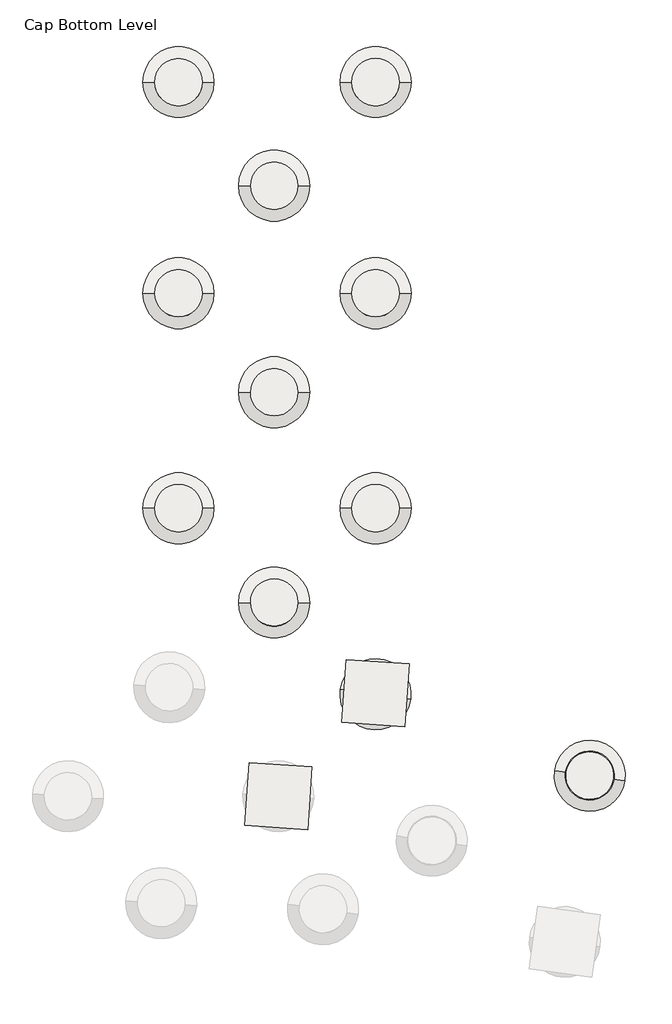
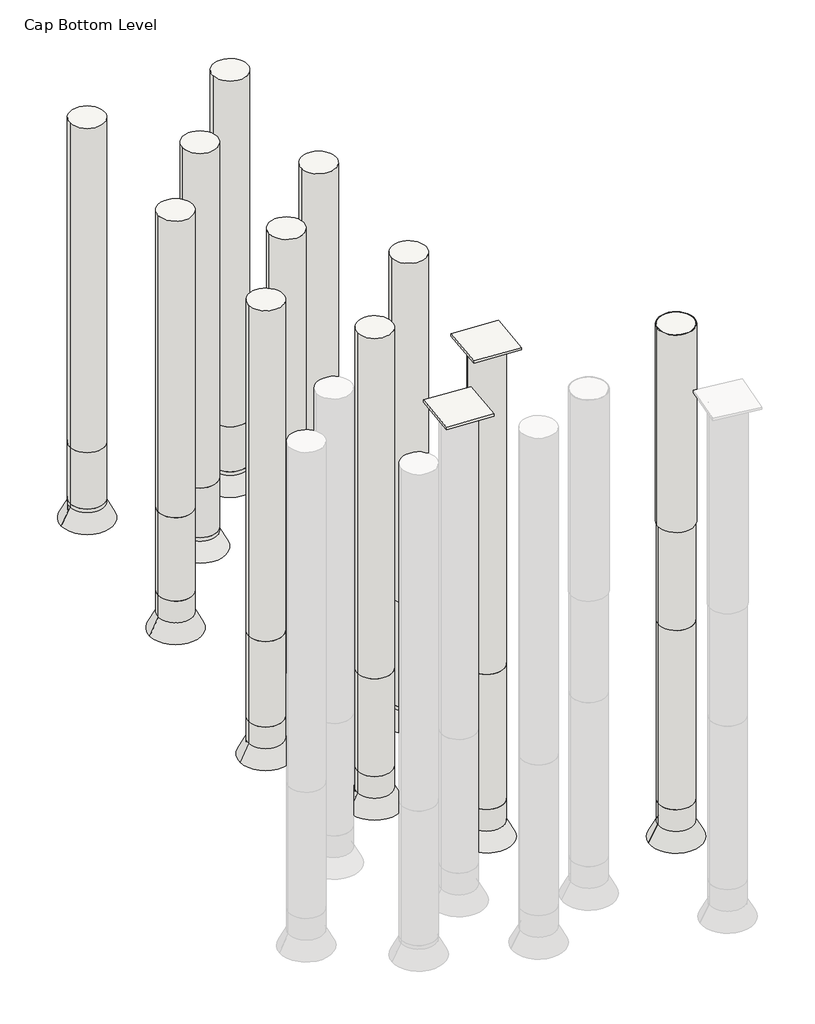
# One storey, part 2 of 2: 13 slabs.
"""IFC4 building model written with IfcOpenShell, lengths in millimetres."""

from ifc_helpers import new_model, si_unit, point, frame, frame_2d, origin, place, context, project, spatial, polyline, circle_curve, trimmed, segment, composite_curve, outline, extrude, element, save
from ifc_brep_helpers import plane_surface, revolved_surface, advanced_brep

model = new_model("IFC4")

# Units and contexts
model_context = context("Model", 3, world=origin())
ifc_project = project(units=[si_unit("LENGTHUNIT", "METRE", prefix="MILLI")], contexts=[model_context])

# Site, building, storey
site = spatial("IfcSite", under=ifc_project)
building = spatial("IfcBuilding", under=site)
storey = spatial("IfcBuildingStorey", under=building, Name="Cap Bottom Level", Elevation=150.0)

# Slabs
placement = place(None, origin())
element("IfcSlab", 1, at=placement, inside=storey, context=model_context, shape_type="SolidModel", body=[
    extrude(outline(composite_curve([segment(trimmed(circle_curve(frame_2d((-49045.9213293, 71357.1233994)), 1350.0), [point((-50382.7832331, 71545.0070079))], [point((-47709.0594256, 71169.239791))], False, "CARTESIAN"), True, "CONTINUOUS"), segment(trimmed(circle_curve(frame_2d((-49045.9213293, 71357.1233994)), 1350.0), [point((-47709.0594256, 71169.239791))], [point((-50382.7832331, 71545.0070079))], False, "CARTESIAN"), True, "CONTINUOUS")], self_intersect=False)), frame((0.0, 0.0, -27957.0), z_axis=(0.0, 0.0, 1.0), x_axis=(1.0, 0.0, 0.0)), (0.0, 0.0, 1.0), 26557.0),
    extrude(outline(composite_curve([segment(trimmed(circle_curve(frame_2d((-49045.9213293, 71357.1233994)), 1350.0), [point((-50382.7832331, 71545.0070079))], [point((-47709.0594256, 71169.239791))], False, "CARTESIAN"), True, "CONTINUOUS"), segment(trimmed(circle_curve(frame_2d((-49045.9213293, 71357.1233994)), 1350.0), [point((-47709.0594256, 71169.239791))], [point((-50382.7832331, 71545.0070079))], False, "CARTESIAN"), True, "CONTINUOUS")], self_intersect=False)), frame((0.0, 0.0, -39177.0), z_axis=(0.0, 0.0, 1.0), x_axis=(1.0, 0.0, 0.0)), (0.0, 0.0, 1.0), 11220.0),
    extrude(outline(composite_curve([segment(trimmed(circle_curve(frame_2d((-49045.9213293, 71357.1233994)), 1350.0), [point((-50382.7832331, 71545.0070079))], [point((-47709.0594256, 71169.239791))], False, "CARTESIAN"), True, "CONTINUOUS"), segment(trimmed(circle_curve(frame_2d((-49045.9213293, 71357.1233994)), 1350.0), [point((-47709.0594256, 71169.239791))], [point((-50382.7832331, 71545.0070079))], False, "CARTESIAN"), True, "CONTINUOUS")], self_intersect=False)), frame((0.0, 0.0, -42327.0), z_axis=(0.0, 0.0, 1.0), x_axis=(1.0, 0.0, 0.0)), (0.0, 0.0, 1.0), 3150.0),
    advanced_brep(
    [(-50382.7832331, 71545.0070079, -40977.0), (-47709.0594256, 71169.239791, -40977.0), (-47040.6284737, 71075.2979868, -42327.0), (-51051.214185, 71638.9488121, -42327.0), (-50382.7832331, 71545.0070079, -42327.0), (-47709.0594256, 71169.239791, -42327.0)],
    [
        (0, 1, circle_curve(frame((-49045.9213293, 71357.1233994, -40977.0), z_axis=(0.0, 0.0, -1.0), x_axis=(0.9902680768491257, -0.13917304327180138, 0.0)), 1350.0)),
        (1, 2),
        (2, 3, circle_curve(frame((-49045.9213293, 71357.1233994, -42327.0), z_axis=(0.0, 0.0, 1.0), x_axis=(0.9902680768491257, -0.13917304327180138, 0.0)), 2025.0)),
        (3, 0),
        (1, 0, circle_curve(frame((-49045.9213293, 71357.1233994, -40977.0), z_axis=(0.0, 0.0, -1.0), x_axis=(0.9902680768491257, -0.13917304327180138, 0.0)), 1350.0)),
        (3, 2, circle_curve(frame((-49045.9213293, 71357.1233994, -42327.0), z_axis=(0.0, 0.0, 1.0), x_axis=(0.9902680768491257, -0.13917304327180138, 0.0)), 2025.0)),
        (4, 5, circle_curve(frame((-49045.9213293, 71357.1233994, -42327.0), z_axis=(0.0, 0.0, -1.0), x_axis=(0.9902680768491257, -0.13917304327180138, 0.0)), 1350.0)),
        (5, 1),
        (0, 4),
        (5, 4, circle_curve(frame((-49045.9213293, 71357.1233994, -42327.0), z_axis=(0.0, 0.0, -1.0), x_axis=(0.9902680768491257, -0.13917304327180138, 0.0)), 1350.0)),
        (2, 5),
        (4, 3),
    ],
    [
        revolved_surface(polyline([(-47040.6284737, 71075.2979868, -42327.0), (-47709.0594256, 71169.239791, -40977.0)]), (-49045.9213293, 71357.1233994, -39127.0), (0.0, 0.0, 1.0)),
        revolved_surface(polyline([(-47709.05942555368, 71169.23979098308, -40977.0), (-47709.05942555368, 71169.23979098308, -42327.0)]), (-49045.9213293, 71357.1233994, -39127.0), (0.0, 0.0, 1.0)),
        plane_surface(frame((-49045.9213293, 71357.1233994, -42327.0), z_axis=(0.0, 0.0, -1.0), x_axis=(0.9902680768491254, -0.13917304327180136, 0.0))),
    ],
    [
        (0, [[1, 2, 3, 4]]),
        (0, [[5, -4, 6, -2]]),
        (1, [[7, 8, -1, 9]]),
        (1, [[10, -9, -5, -8]]),
        (2, [[-3, 11, -7, 12]]),
        (2, [[-6, -12, -10, -11]]),
    ],
),
])
element("IfcSlab", 2, at=placement, inside=storey, context=model_context, shape_type="SolidModel", body=[
    extrude(outline(composite_curve([segment(trimmed(circle_curve(frame_2d((-54827.6663118, 76595.2799237)), 1350.0), [point((-56177.6663118, 76595.2799235))], [point((-53477.6663118, 76595.2799238))], False, "CARTESIAN"), True, "CONTINUOUS"), segment(trimmed(circle_curve(frame_2d((-54827.6663118, 76595.2799237)), 1350.0), [point((-53477.6663118, 76595.2799238))], [point((-56177.6663118, 76595.2799235))], False, "CARTESIAN"), True, "CONTINUOUS")], self_intersect=False)), frame((0.0, 0.0, -29483.0), z_axis=(0.0, 0.0, 1.0), x_axis=(1.0, 0.0, 0.0)), (0.0, 0.0, 1.0), 28283.0),
    extrude(outline(composite_curve([segment(trimmed(circle_curve(frame_2d((-54827.6663118, 76595.2799237)), 1350.0), [point((-56177.6663118, 76595.2799235))], [point((-53477.6663118, 76595.2799238))], False, "CARTESIAN"), True, "CONTINUOUS"), segment(trimmed(circle_curve(frame_2d((-54827.6663118, 76595.2799237)), 1350.0), [point((-53477.6663118, 76595.2799238))], [point((-56177.6663118, 76595.2799235))], False, "CARTESIAN"), True, "CONTINUOUS")], self_intersect=False)), frame((0.0, 0.0, -37603.0), z_axis=(0.0, 0.0, 1.0), x_axis=(1.0, 0.0, 0.0)), (0.0, 0.0, 1.0), 8120.0),
    extrude(outline(composite_curve([segment(trimmed(circle_curve(frame_2d((-54827.6663118, 76595.2799237)), 1350.0), [point((-56177.6663118, 76595.2799235))], [point((-53477.6663118, 76595.2799238))], False, "CARTESIAN"), True, "CONTINUOUS"), segment(trimmed(circle_curve(frame_2d((-54827.6663118, 76595.2799237)), 1350.0), [point((-53477.6663118, 76595.2799238))], [point((-56177.6663118, 76595.2799235))], False, "CARTESIAN"), True, "CONTINUOUS")], self_intersect=False)), frame((0.0, 0.0, -40753.0), z_axis=(0.0, 0.0, 1.0), x_axis=(1.0, 0.0, 0.0)), (0.0, 0.0, 1.0), 3150.0),
    advanced_brep(
    [(-56177.6663118, 76595.2799235, -39403.0), (-53477.6663118, 76595.2799238, -39403.0), (-52802.6663118, 76595.2799238, -40753.0), (-56852.6663118, 76595.2799235, -40753.0), (-56177.6663118, 76595.2799235, -40753.0), (-53477.6663118, 76595.2799238, -40753.0)],
    [
        (0, 1, circle_curve(frame((-54827.6663118, 76595.2799237, -39403.0), z_axis=(0.0, 0.0, -1.0), x_axis=(1.0000000000000002, 8.037442933428451e-11, 0.0)), 1350.0)),
        (1, 2),
        (2, 3, circle_curve(frame((-54827.6663118, 76595.2799237, -40753.0), z_axis=(0.0, 0.0, 1.0), x_axis=(1.0000000000000002, 8.037442933428451e-11, 0.0)), 2025.0)),
        (3, 0),
        (1, 0, circle_curve(frame((-54827.6663118, 76595.2799237, -39403.0), z_axis=(0.0, 0.0, -1.0), x_axis=(1.0000000000000002, 8.037442933428451e-11, 0.0)), 1350.0)),
        (3, 2, circle_curve(frame((-54827.6663118, 76595.2799237, -40753.0), z_axis=(0.0, 0.0, 1.0), x_axis=(1.0000000000000002, 8.037442933428451e-11, 0.0)), 2025.0)),
        (4, 5, circle_curve(frame((-54827.6663118, 76595.2799237, -40753.0), z_axis=(0.0, 0.0, -1.0), x_axis=(1.0000000000000002, 8.037442933428451e-11, 0.0)), 1350.0)),
        (5, 1),
        (0, 4),
        (5, 4, circle_curve(frame((-54827.6663118, 76595.2799237, -40753.0), z_axis=(0.0, 0.0, -1.0), x_axis=(1.0000000000000002, 8.037442933428451e-11, 0.0)), 1350.0)),
        (2, 5),
        (4, 3),
    ],
    [
        revolved_surface(polyline([(-52802.6663118, 76595.2799238, -40753.0), (-53477.6663118, 76595.2799238, -39403.0)]), (-54827.6663118, 76595.2799237, -37553.0), (0.0, 0.0, 1.0)),
        revolved_surface(polyline([(-53477.6663118, 76595.2799238085, -39403.0), (-53477.6663118, 76595.2799238085, -40753.0)]), (-54827.6663118, 76595.2799237, -37553.0), (0.0, 0.0, 1.0)),
        plane_surface(frame((-54827.6663118, 76595.2799237, -40753.0), z_axis=(0.0, 0.0, -1.0), x_axis=(1.0, 8.03744293342845e-11, 0.0))),
    ],
    [
        (0, [[1, 2, 3, 4]]),
        (0, [[5, -4, 6, -2]]),
        (1, [[7, 8, -1, 9]]),
        (1, [[10, -9, -5, -8]]),
        (2, [[-3, 11, -7, 12]]),
        (2, [[-6, -12, -10, -11]]),
    ],
),
])
element("IfcSlab", 3, at=placement, inside=storey, context=model_context, shape_type="SolidModel", body=[
    extrude(outline(composite_curve([segment(trimmed(circle_curve(frame_2d((-60287.6663107, 81975.2799284)), 1350.0), [point((-61637.6663107, 81975.2799283))], [point((-58937.6663107, 81975.2799285))], False, "CARTESIAN"), True, "CONTINUOUS"), segment(trimmed(circle_curve(frame_2d((-60287.6663107, 81975.2799284)), 1350.0), [point((-58937.6663107, 81975.2799285))], [point((-61637.6663107, 81975.2799283))], False, "CARTESIAN"), True, "CONTINUOUS")], self_intersect=False)), frame((0.0, 0.0, -27723.0), z_axis=(0.0, 0.0, 1.0), x_axis=(1.0, 0.0, 0.0)), (0.0, 0.0, 1.0), 27473.0),
    extrude(outline(composite_curve([segment(trimmed(circle_curve(frame_2d((-60287.6663107, 81975.2799284)), 1350.0), [point((-61637.6663107, 81975.2799283))], [point((-58937.6663107, 81975.2799285))], False, "CARTESIAN"), True, "CONTINUOUS"), segment(trimmed(circle_curve(frame_2d((-60287.6663107, 81975.2799284)), 1350.0), [point((-58937.6663107, 81975.2799285))], [point((-61637.6663107, 81975.2799283))], False, "CARTESIAN"), True, "CONTINUOUS")], self_intersect=False)), frame((0.0, 0.0, -34833.0), z_axis=(0.0, 0.0, 1.0), x_axis=(1.0, 0.0, 0.0)), (0.0, 0.0, 1.0), 7110.0),
    extrude(outline(composite_curve([segment(trimmed(circle_curve(frame_2d((-60287.6663107, 81975.2799284)), 1350.0), [point((-61637.6663107, 81975.2799283))], [point((-58937.6663107, 81975.2799285))], False, "CARTESIAN"), True, "CONTINUOUS"), segment(trimmed(circle_curve(frame_2d((-60287.6663107, 81975.2799284)), 1350.0), [point((-58937.6663107, 81975.2799285))], [point((-61637.6663107, 81975.2799283))], False, "CARTESIAN"), True, "CONTINUOUS")], self_intersect=False)), frame((0.0, 0.0, -37983.0), z_axis=(0.0, 0.0, 1.0), x_axis=(1.0, 0.0, 0.0)), (0.0, 0.0, 1.0), 3150.0),
    advanced_brep(
    [(-61637.6663107, 81975.2799283, -36633.0), (-58937.6663107, 81975.2799285, -36633.0), (-58262.6663107, 81975.2799285, -37983.0), (-62312.6663107, 81975.2799282, -37983.0), (-61637.6663107, 81975.2799283, -37983.0), (-58937.6663107, 81975.2799285, -37983.0)],
    [
        (0, 1, circle_curve(frame((-60287.6663107, 81975.2799284, -36633.0), z_axis=(0.0, 0.0, -1.0), x_axis=(1.0, 8.037839838159755e-11, 0.0)), 1350.0)),
        (1, 2),
        (2, 3, circle_curve(frame((-60287.6663107, 81975.2799284, -37983.0), z_axis=(0.0, 0.0, 1.0), x_axis=(1.0, 8.037839838159755e-11, 0.0)), 2025.0)),
        (3, 0),
        (1, 0, circle_curve(frame((-60287.6663107, 81975.2799284, -36633.0), z_axis=(0.0, 0.0, -1.0), x_axis=(1.0, 8.037839838159755e-11, 0.0)), 1350.0)),
        (3, 2, circle_curve(frame((-60287.6663107, 81975.2799284, -37983.0), z_axis=(0.0, 0.0, 1.0), x_axis=(1.0, 8.037839838159755e-11, 0.0)), 2025.0)),
        (4, 5, circle_curve(frame((-60287.6663107, 81975.2799284, -37983.0), z_axis=(0.0, 0.0, -1.0), x_axis=(1.0, 8.037839838159755e-11, 0.0)), 1350.0)),
        (5, 1),
        (0, 4),
        (5, 4, circle_curve(frame((-60287.6663107, 81975.2799284, -37983.0), z_axis=(0.0, 0.0, -1.0), x_axis=(1.0, 8.037839838159755e-11, 0.0)), 1350.0)),
        (2, 5),
        (4, 3),
    ],
    [
        revolved_surface(polyline([(-58262.6663107, 81975.2799285, -37983.0), (-58937.6663107, 81975.2799285, -36633.0)]), (-60287.6663107, 81975.2799284, -34783.0), (0.0, 0.0, 1.0)),
        revolved_surface(polyline([(-58937.6663107, 81975.27992850852, -36633.0), (-58937.6663107, 81975.27992850852, -37983.0)]), (-60287.6663107, 81975.2799284, -34783.0), (0.0, 0.0, 1.0)),
        plane_surface(frame((-60287.6663107, 81975.2799284, -37983.0), z_axis=(0.0, 0.0, -1.0), x_axis=(1.0, 8.037839838159755e-11, 0.0))),
    ],
    [
        (0, [[1, 2, 3, 4]]),
        (0, [[5, -4, 6, -2]]),
        (1, [[7, 8, -1, 9]]),
        (1, [[10, -9, -5, -8]]),
        (2, [[-3, 11, -7, 12]]),
        (2, [[-6, -12, -10, -11]]),
    ],
),
])
element("IfcSlab", 4, at=placement, inside=storey, context=model_context, shape_type="SolidModel", body=[
    extrude(outline(composite_curve([segment(trimmed(circle_curve(frame_2d((-49042.6663121, 81975.2799246)), 1350.0), [point((-50392.6663121, 81975.2799245))], [point((-47692.6663121, 81975.2799247))], False, "CARTESIAN"), True, "CONTINUOUS"), segment(trimmed(circle_curve(frame_2d((-49042.6663121, 81975.2799246)), 1350.0), [point((-47692.6663121, 81975.2799247))], [point((-50392.6663121, 81975.2799245))], False, "CARTESIAN"), True, "CONTINUOUS")], self_intersect=False)), frame((0.0, 0.0, -28513.0), z_axis=(0.0, 0.0, 1.0), x_axis=(1.0, 0.0, 0.0)), (0.0, 0.0, 1.0), 28263.0),
    extrude(outline(composite_curve([segment(trimmed(circle_curve(frame_2d((-49042.6663121, 81975.2799246)), 1350.0), [point((-50392.6663121, 81975.2799245))], [point((-47692.6663121, 81975.2799247))], False, "CARTESIAN"), True, "CONTINUOUS"), segment(trimmed(circle_curve(frame_2d((-49042.6663121, 81975.2799246)), 1350.0), [point((-47692.6663121, 81975.2799247))], [point((-50392.6663121, 81975.2799245))], False, "CARTESIAN"), True, "CONTINUOUS")], self_intersect=False)), frame((0.0, 0.0, -37213.0), z_axis=(0.0, 0.0, 1.0), x_axis=(1.0, 0.0, 0.0)), (0.0, 0.0, 1.0), 8700.0),
    extrude(outline(composite_curve([segment(trimmed(circle_curve(frame_2d((-49042.6663121, 81975.2799246)), 1350.0), [point((-50392.6663121, 81975.2799245))], [point((-47692.6663121, 81975.2799247))], False, "CARTESIAN"), True, "CONTINUOUS"), segment(trimmed(circle_curve(frame_2d((-49042.6663121, 81975.2799246)), 1350.0), [point((-47692.6663121, 81975.2799247))], [point((-50392.6663121, 81975.2799245))], False, "CARTESIAN"), True, "CONTINUOUS")], self_intersect=False)), frame((0.0, 0.0, -38863.0), z_axis=(0.0, 0.0, 1.0), x_axis=(1.0, 0.0, 0.0)), (0.0, 0.0, 1.0), 1650.0),
    advanced_brep(
    [(-50392.6663121, 81975.2799245, -37513.0), (-47692.6663121, 81975.2799247, -37513.0), (-47017.6663121, 81975.2799248, -38863.0), (-51067.6663121, 81975.2799244, -38863.0), (-50392.6663121, 81975.2799245, -38863.0), (-47692.6663121, 81975.2799247, -38863.0)],
    [
        (0, 1, circle_curve(frame((-49042.6663121, 81975.2799246, -37513.0), z_axis=(0.0, 0.0, -1.0), x_axis=(1.0, 8.037839838159755e-11, 0.0)), 1350.0)),
        (1, 2),
        (2, 3, circle_curve(frame((-49042.6663121, 81975.2799246, -38863.0), z_axis=(0.0, 0.0, 1.0), x_axis=(1.0, 8.037839838159755e-11, 0.0)), 2025.0)),
        (3, 0),
        (1, 0, circle_curve(frame((-49042.6663121, 81975.2799246, -37513.0), z_axis=(0.0, 0.0, -1.0), x_axis=(1.0, 8.037839838159755e-11, 0.0)), 1350.0)),
        (3, 2, circle_curve(frame((-49042.6663121, 81975.2799246, -38863.0), z_axis=(0.0, 0.0, 1.0), x_axis=(1.0, 8.037839838159755e-11, 0.0)), 2025.0)),
        (4, 5, circle_curve(frame((-49042.6663121, 81975.2799246, -38863.0), z_axis=(0.0, 0.0, -1.0), x_axis=(1.0, 8.037839838159755e-11, 0.0)), 1350.0)),
        (5, 1),
        (0, 4),
        (5, 4, circle_curve(frame((-49042.6663121, 81975.2799246, -38863.0), z_axis=(0.0, 0.0, -1.0), x_axis=(1.0, 8.037839838159755e-11, 0.0)), 1350.0)),
        (2, 5),
        (4, 3),
    ],
    [
        revolved_surface(polyline([(-47017.6663121, 81975.2799248, -38863.0), (-47692.6663121, 81975.2799247, -37513.0)]), (-49042.6663121, 81975.2799246, -37163.0), (0.0, 0.0, 1.0)),
        revolved_surface(polyline([(-47692.6663121, 81975.27992470852, -37513.0), (-47692.6663121, 81975.27992470852, -38863.0)]), (-49042.6663121, 81975.2799246, -37163.0), (0.0, 0.0, 1.0)),
        plane_surface(frame((-49042.6663121, 81975.2799246, -38863.0), z_axis=(0.0, 0.0, -1.0), x_axis=(1.0, 8.037839838159755e-11, 0.0))),
    ],
    [
        (0, [[1, 2, 3, 4]]),
        (0, [[5, -4, 6, -2]]),
        (1, [[7, 8, -1, 9]]),
        (1, [[10, -9, -5, -8]]),
        (2, [[-3, 11, -7, 12]]),
        (2, [[-6, -12, -10, -11]]),
    ],
),
])
element("IfcSlab", 5, at=placement, inside=storey, context=model_context, shape_type="SolidModel", body=[
    extrude(outline(composite_curve([segment(trimmed(circle_curve(frame_2d((-60287.6663139, 94245.2799229)), 1350.0), [point((-61637.6663139, 94245.2799228))], [point((-58937.6663139, 94245.2799231))], False, "CARTESIAN"), True, "CONTINUOUS"), segment(trimmed(circle_curve(frame_2d((-60287.6663139, 94245.2799229)), 1350.0), [point((-58937.6663139, 94245.2799231))], [point((-61637.6663139, 94245.2799228))], False, "CARTESIAN"), True, "CONTINUOUS")], self_intersect=False)), frame((0.0, 0.0, -24878.0), z_axis=(0.0, 0.0, 1.0), x_axis=(1.0, 0.0, 0.0)), (0.0, 0.0, 1.0), 24628.0),
    extrude(outline(composite_curve([segment(trimmed(circle_curve(frame_2d((-60287.6663139, 94245.2799229)), 1350.0), [point((-61637.6663139, 94245.2799228))], [point((-58937.6663139, 94245.2799231))], False, "CARTESIAN"), True, "CONTINUOUS"), segment(trimmed(circle_curve(frame_2d((-60287.6663139, 94245.2799229)), 1350.0), [point((-58937.6663139, 94245.2799231))], [point((-61637.6663139, 94245.2799228))], False, "CARTESIAN"), True, "CONTINUOUS")], self_intersect=False)), frame((0.0, 0.0, -31808.0), z_axis=(0.0, 0.0, 1.0), x_axis=(1.0, 0.0, 0.0)), (0.0, 0.0, 1.0), 6930.0),
    extrude(outline(composite_curve([segment(trimmed(circle_curve(frame_2d((-60287.6663139, 94245.2799229)), 1350.0), [point((-61637.6663139, 94245.2799228))], [point((-58937.6663139, 94245.2799231))], False, "CARTESIAN"), True, "CONTINUOUS"), segment(trimmed(circle_curve(frame_2d((-60287.6663139, 94245.2799229)), 1350.0), [point((-58937.6663139, 94245.2799231))], [point((-61637.6663139, 94245.2799228))], False, "CARTESIAN"), True, "CONTINUOUS")], self_intersect=False)), frame((0.0, 0.0, -34958.0), z_axis=(0.0, 0.0, 1.0), x_axis=(1.0, 0.0, 0.0)), (0.0, 0.0, 1.0), 3150.0),
    advanced_brep(
    [(-61637.6663139, 94245.2799228, -33608.0), (-58937.6663139, 94245.2799231, -33608.0), (-58262.6663139, 94245.2799231, -34958.0), (-62312.6663139, 94245.2799228, -34958.0), (-61637.6663139, 94245.2799228, -34958.0), (-58937.6663139, 94245.2799231, -34958.0)],
    [
        (0, 1, circle_curve(frame((-60287.6663139, 94245.2799229, -33608.0), z_axis=(0.0, 0.0, -1.0), x_axis=(1.0000000000000002, 8.037442933428451e-11, 0.0)), 1350.0)),
        (1, 2),
        (2, 3, circle_curve(frame((-60287.6663139, 94245.2799229, -34958.0), z_axis=(0.0, 0.0, 1.0), x_axis=(1.0000000000000002, 8.037442933428451e-11, 0.0)), 2025.0)),
        (3, 0),
        (1, 0, circle_curve(frame((-60287.6663139, 94245.2799229, -33608.0), z_axis=(0.0, 0.0, -1.0), x_axis=(1.0000000000000002, 8.037442933428451e-11, 0.0)), 1350.0)),
        (3, 2, circle_curve(frame((-60287.6663139, 94245.2799229, -34958.0), z_axis=(0.0, 0.0, 1.0), x_axis=(1.0000000000000002, 8.037442933428451e-11, 0.0)), 2025.0)),
        (4, 5, circle_curve(frame((-60287.6663139, 94245.2799229, -34958.0), z_axis=(0.0, 0.0, -1.0), x_axis=(1.0000000000000002, 8.037442933428451e-11, 0.0)), 1350.0)),
        (5, 1),
        (0, 4),
        (5, 4, circle_curve(frame((-60287.6663139, 94245.2799229, -34958.0), z_axis=(0.0, 0.0, -1.0), x_axis=(1.0000000000000002, 8.037442933428451e-11, 0.0)), 1350.0)),
        (2, 5),
        (4, 3),
    ],
    [
        revolved_surface(polyline([(-58262.6663139, 94245.2799231, -34958.0), (-58937.6663139, 94245.2799231, -33608.0)]), (-60287.6663139, 94245.2799229, -31758.0), (0.0, 0.0, 1.0)),
        revolved_surface(polyline([(-58937.6663139, 94245.2799230085, -33608.0), (-58937.6663139, 94245.2799230085, -34958.0)]), (-60287.6663139, 94245.2799229, -31758.0), (0.0, 0.0, 1.0)),
        plane_surface(frame((-60287.6663139, 94245.2799229, -34958.0), z_axis=(0.0, 0.0, -1.0), x_axis=(1.0, 8.03744293342845e-11, 0.0))),
    ],
    [
        (0, [[1, 2, 3, 4]]),
        (0, [[5, -4, 6, -2]]),
        (1, [[7, 8, -1, 9]]),
        (1, [[10, -9, -5, -8]]),
        (2, [[-3, 11, -7, 12]]),
        (2, [[-6, -12, -10, -11]]),
    ],
),
])
element("IfcSlab", 6, at=placement, inside=storey, context=model_context, shape_type="SolidModel", body=[
    extrude(outline(composite_curve([segment(trimmed(circle_curve(frame_2d((-49042.6663124, 94245.2799243)), 1350.0), [point((-50392.6663124, 94245.2799242))], [point((-47692.6663124, 94245.2799245))], False, "CARTESIAN"), True, "CONTINUOUS"), segment(trimmed(circle_curve(frame_2d((-49042.6663124, 94245.2799243)), 1350.0), [point((-47692.6663124, 94245.2799245))], [point((-50392.6663124, 94245.2799242))], False, "CARTESIAN"), True, "CONTINUOUS")], self_intersect=False)), frame((0.0, 0.0, -29391.0), z_axis=(0.0, 0.0, 1.0), x_axis=(1.0, 0.0, 0.0)), (0.0, 0.0, 1.0), 29141.0),
    extrude(outline(composite_curve([segment(trimmed(circle_curve(frame_2d((-49042.6663124, 94245.2799243)), 1350.0), [point((-50392.6663124, 94245.2799242))], [point((-47692.6663124, 94245.2799245))], False, "CARTESIAN"), True, "CONTINUOUS"), segment(trimmed(circle_curve(frame_2d((-49042.6663124, 94245.2799243)), 1350.0), [point((-47692.6663124, 94245.2799245))], [point((-50392.6663124, 94245.2799242))], False, "CARTESIAN"), True, "CONTINUOUS")], self_intersect=False)), frame((0.0, 0.0, -33881.0), z_axis=(0.0, 0.0, 1.0), x_axis=(1.0, 0.0, 0.0)), (0.0, 0.0, 1.0), 4490.0),
    extrude(outline(composite_curve([segment(trimmed(circle_curve(frame_2d((-49042.6663124, 94245.2799243)), 1350.0), [point((-50392.6663124, 94245.2799242))], [point((-47692.6663124, 94245.2799245))], False, "CARTESIAN"), True, "CONTINUOUS"), segment(trimmed(circle_curve(frame_2d((-49042.6663124, 94245.2799243)), 1350.0), [point((-47692.6663124, 94245.2799245))], [point((-50392.6663124, 94245.2799242))], False, "CARTESIAN"), True, "CONTINUOUS")], self_intersect=False)), frame((0.0, 0.0, -35531.0), z_axis=(0.0, 0.0, 1.0), x_axis=(1.0, 0.0, 0.0)), (0.0, 0.0, 1.0), 1650.0),
    advanced_brep(
    [(-50392.6663124, 94245.2799242, -34181.0), (-47692.6663124, 94245.2799245, -34181.0), (-47017.6663124, 94245.2799245, -35531.0), (-51067.6663124, 94245.2799242, -35531.0), (-50392.6663124, 94245.2799242, -35531.0), (-47692.6663124, 94245.2799245, -35531.0)],
    [
        (0, 1, circle_curve(frame((-49042.6663124, 94245.2799243, -34181.0), z_axis=(0.0, 0.0, -1.0), x_axis=(1.0000000000000002, 8.03738603449844e-11, 0.0)), 1350.0)),
        (1, 2),
        (2, 3, circle_curve(frame((-49042.6663124, 94245.2799243, -35531.0), z_axis=(0.0, 0.0, 1.0), x_axis=(1.0000000000000002, 8.03738603449844e-11, 0.0)), 2025.0)),
        (3, 0),
        (1, 0, circle_curve(frame((-49042.6663124, 94245.2799243, -34181.0), z_axis=(0.0, 0.0, -1.0), x_axis=(1.0000000000000002, 8.03738603449844e-11, 0.0)), 1350.0)),
        (3, 2, circle_curve(frame((-49042.6663124, 94245.2799243, -35531.0), z_axis=(0.0, 0.0, 1.0), x_axis=(1.0000000000000002, 8.03738603449844e-11, 0.0)), 2025.0)),
        (4, 5, circle_curve(frame((-49042.6663124, 94245.2799243, -35531.0), z_axis=(0.0, 0.0, -1.0), x_axis=(1.0000000000000002, 8.03738603449844e-11, 0.0)), 1350.0)),
        (5, 1),
        (0, 4),
        (5, 4, circle_curve(frame((-49042.6663124, 94245.2799243, -35531.0), z_axis=(0.0, 0.0, -1.0), x_axis=(1.0000000000000002, 8.03738603449844e-11, 0.0)), 1350.0)),
        (2, 5),
        (4, 3),
    ],
    [
        revolved_surface(polyline([(-47017.6663124, 94245.2799245, -35531.0), (-47692.6663124, 94245.2799245, -34181.0)]), (-49042.6663124, 94245.2799243, -33831.0), (0.0, 0.0, 1.0)),
        revolved_surface(polyline([(-47692.6663124, 94245.2799244085, -34181.0), (-47692.6663124, 94245.2799244085, -35531.0)]), (-49042.6663124, 94245.2799243, -33831.0), (0.0, 0.0, 1.0)),
        plane_surface(frame((-49042.6663124, 94245.2799243, -35531.0), z_axis=(0.0, 0.0, -1.0), x_axis=(1.0, 8.037386034498438e-11, 0.0))),
    ],
    [
        (0, [[1, 2, 3, 4]]),
        (0, [[5, -4, 6, -2]]),
        (1, [[7, 8, -1, 9]]),
        (1, [[10, -9, -5, -8]]),
        (2, [[-3, 11, -7, 12]]),
        (2, [[-6, -12, -10, -11]]),
    ],
),
])
element("IfcSlab", 7, at=placement, inside=storey, context=model_context, shape_type="SolidModel", body=[
    extrude(outline(composite_curve([segment(trimmed(circle_curve(frame_2d((-54827.6663127, 88595.2799234)), 1350.0), [point((-56177.6663127, 88595.2799233))], [point((-53477.6663127, 88595.2799236))], False, "CARTESIAN"), True, "CONTINUOUS"), segment(trimmed(circle_curve(frame_2d((-54827.6663127, 88595.2799234)), 1350.0), [point((-53477.6663127, 88595.2799236))], [point((-56177.6663127, 88595.2799233))], False, "CARTESIAN"), True, "CONTINUOUS")], self_intersect=False)), frame((0.0, 0.0, -27515.0), z_axis=(0.0, 0.0, 1.0), x_axis=(1.0, 0.0, 0.0)), (0.0, 0.0, 1.0), 27265.0),
    extrude(outline(composite_curve([segment(trimmed(circle_curve(frame_2d((-54827.6663127, 88595.2799234)), 1350.0), [point((-56177.6663127, 88595.2799233))], [point((-53477.6663127, 88595.2799236))], False, "CARTESIAN"), True, "CONTINUOUS"), segment(trimmed(circle_curve(frame_2d((-54827.6663127, 88595.2799234)), 1350.0), [point((-53477.6663127, 88595.2799236))], [point((-56177.6663127, 88595.2799233))], False, "CARTESIAN"), True, "CONTINUOUS")], self_intersect=False)), frame((0.0, 0.0, -34205.0), z_axis=(0.0, 0.0, 1.0), x_axis=(1.0, 0.0, 0.0)), (0.0, 0.0, 1.0), 6690.0),
    extrude(outline(composite_curve([segment(trimmed(circle_curve(frame_2d((-54827.6663127, 88595.2799234)), 1350.0), [point((-56177.6663127, 88595.2799233))], [point((-53477.6663127, 88595.2799236))], False, "CARTESIAN"), True, "CONTINUOUS"), segment(trimmed(circle_curve(frame_2d((-54827.6663127, 88595.2799234)), 1350.0), [point((-53477.6663127, 88595.2799236))], [point((-56177.6663127, 88595.2799233))], False, "CARTESIAN"), True, "CONTINUOUS")], self_intersect=False)), frame((0.0, 0.0, -35855.0), z_axis=(0.0, 0.0, 1.0), x_axis=(1.0, 0.0, 0.0)), (0.0, 0.0, 1.0), 1650.0),
    advanced_brep(
    [(-56177.6663127, 88595.2799233, -34505.0), (-53477.6663127, 88595.2799236, -34505.0), (-52802.6663127, 88595.2799236, -35855.0), (-56852.6663127, 88595.2799233, -35855.0), (-56177.6663127, 88595.2799233, -35855.0), (-53477.6663127, 88595.2799236, -35855.0)],
    [
        (0, 1, circle_curve(frame((-54827.6663127, 88595.2799234, -34505.0), z_axis=(0.0, 0.0, -1.0), x_axis=(1.0000000000000002, 8.037442933428451e-11, 0.0)), 1350.0)),
        (1, 2),
        (2, 3, circle_curve(frame((-54827.6663127, 88595.2799234, -35855.0), z_axis=(0.0, 0.0, 1.0), x_axis=(1.0000000000000002, 8.037442933428451e-11, 0.0)), 2025.0)),
        (3, 0),
        (1, 0, circle_curve(frame((-54827.6663127, 88595.2799234, -34505.0), z_axis=(0.0, 0.0, -1.0), x_axis=(1.0000000000000002, 8.037442933428451e-11, 0.0)), 1350.0)),
        (3, 2, circle_curve(frame((-54827.6663127, 88595.2799234, -35855.0), z_axis=(0.0, 0.0, 1.0), x_axis=(1.0000000000000002, 8.037442933428451e-11, 0.0)), 2025.0)),
        (4, 5, circle_curve(frame((-54827.6663127, 88595.2799234, -35855.0), z_axis=(0.0, 0.0, -1.0), x_axis=(1.0000000000000002, 8.037442933428451e-11, 0.0)), 1350.0)),
        (5, 1),
        (0, 4),
        (5, 4, circle_curve(frame((-54827.6663127, 88595.2799234, -35855.0), z_axis=(0.0, 0.0, -1.0), x_axis=(1.0000000000000002, 8.037442933428451e-11, 0.0)), 1350.0)),
        (2, 5),
        (4, 3),
    ],
    [
        revolved_surface(polyline([(-52802.6663127, 88595.2799236, -35855.0), (-53477.6663127, 88595.2799236, -34505.0)]), (-54827.6663127, 88595.2799234, -34155.0), (0.0, 0.0, 1.0)),
        revolved_surface(polyline([(-53477.6663127, 88595.2799235085, -34505.0), (-53477.6663127, 88595.2799235085, -35855.0)]), (-54827.6663127, 88595.2799234, -34155.0), (0.0, 0.0, 1.0)),
        plane_surface(frame((-54827.6663127, 88595.2799234, -35855.0), z_axis=(0.0, 0.0, -1.0), x_axis=(1.0, 8.03744293342845e-11, 0.0))),
    ],
    [
        (0, [[1, 2, 3, 4]]),
        (0, [[5, -4, 6, -2]]),
        (1, [[7, 8, -1, 9]]),
        (1, [[10, -9, -5, -8]]),
        (2, [[-3, 11, -7, 12]]),
        (2, [[-6, -12, -10, -11]]),
    ],
),
])
element("IfcSlab", 8, at=placement, inside=storey, context=model_context, shape_type="SolidModel", body=[
    extrude(outline(composite_curve([segment(trimmed(circle_curve(frame_2d((-36822.9094387, 66715.8412922)), 1350.0), [point((-38159.7713425, 66903.7249006))], [point((-35486.047535, 66527.9576838))], False, "CARTESIAN"), True, "CONTINUOUS"), segment(trimmed(circle_curve(frame_2d((-36822.9094387, 66715.8412922)), 1350.0), [point((-35486.047535, 66527.9576838))], [point((-38159.7713425, 66903.7249006))], False, "CARTESIAN"), True, "CONTINUOUS")], self_intersect=False)), frame((0.0, 0.0, -25779.0), z_axis=(0.0, 0.0, 1.0), x_axis=(1.0, 0.0, 0.0)), (0.0, 0.0, 1.0), 24579.0),
    extrude(outline(composite_curve([segment(trimmed(circle_curve(frame_2d((-36822.9094387, 66715.8412922)), 1350.0), [point((-38159.7713425, 66903.7249006))], [point((-35486.047535, 66527.9576838))], False, "CARTESIAN"), True, "CONTINUOUS"), segment(trimmed(circle_curve(frame_2d((-36822.9094387, 66715.8412922)), 1350.0), [point((-35486.047535, 66527.9576838))], [point((-38159.7713425, 66903.7249006))], False, "CARTESIAN"), True, "CONTINUOUS")], self_intersect=False)), frame((0.0, 0.0, -40669.0), z_axis=(0.0, 0.0, 1.0), x_axis=(1.0, 0.0, 0.0)), (0.0, 0.0, 1.0), 14890.0),
    extrude(outline(composite_curve([segment(trimmed(circle_curve(frame_2d((-36822.9094387, 66715.8412922)), 1350.0), [point((-38159.7713425, 66903.7249006))], [point((-35486.047535, 66527.9576838))], False, "CARTESIAN"), True, "CONTINUOUS"), segment(trimmed(circle_curve(frame_2d((-36822.9094387, 66715.8412922)), 1350.0), [point((-35486.047535, 66527.9576838))], [point((-38159.7713425, 66903.7249006))], False, "CARTESIAN"), True, "CONTINUOUS")], self_intersect=False)), frame((0.0, 0.0, -43819.0), z_axis=(0.0, 0.0, 1.0), x_axis=(1.0, 0.0, 0.0)), (0.0, 0.0, 1.0), 3150.0),
    advanced_brep(
    [(-38159.7713425, 66903.7249006, -42469.0), (-35486.047535, 66527.9576838, -42469.0), (-34817.6165831, 66434.0158795, -43819.0), (-38828.2022943, 66997.6667048, -43819.0), (-38159.7713425, 66903.7249006, -43819.0), (-35486.047535, 66527.9576838, -43819.0)],
    [
        (0, 1, circle_curve(frame((-36822.9094387, 66715.8412922, -42469.0), z_axis=(0.0, 0.0, -1.0), x_axis=(0.9902680768491265, -0.139173043271795, 0.0)), 1350.0)),
        (1, 2),
        (2, 3, circle_curve(frame((-36822.9094387, 66715.8412922, -43819.0), z_axis=(0.0, 0.0, 1.0), x_axis=(0.9902680768491265, -0.139173043271795, 0.0)), 2025.0)),
        (3, 0),
        (1, 0, circle_curve(frame((-36822.9094387, 66715.8412922, -42469.0), z_axis=(0.0, 0.0, -1.0), x_axis=(0.9902680768491265, -0.139173043271795, 0.0)), 1350.0)),
        (3, 2, circle_curve(frame((-36822.9094387, 66715.8412922, -43819.0), z_axis=(0.0, 0.0, 1.0), x_axis=(0.9902680768491265, -0.139173043271795, 0.0)), 2025.0)),
        (4, 5, circle_curve(frame((-36822.9094387, 66715.8412922, -43819.0), z_axis=(0.0, 0.0, -1.0), x_axis=(0.9902680768491265, -0.139173043271795, 0.0)), 1350.0)),
        (5, 1),
        (0, 4),
        (5, 4, circle_curve(frame((-36822.9094387, 66715.8412922, -43819.0), z_axis=(0.0, 0.0, -1.0), x_axis=(0.9902680768491265, -0.139173043271795, 0.0)), 1350.0)),
        (2, 5),
        (4, 3),
    ],
    [
        revolved_surface(polyline([(-34817.6165831, 66434.0158795, -43819.0), (-35486.047535, 66527.9576838, -42469.0)]), (-36822.9094387, 66715.8412922, -40619.0), (0.0, 0.0, 1.0)),
        revolved_surface(polyline([(-35486.04753495368, 66527.95768378308, -42469.0), (-35486.04753495368, 66527.95768378308, -43819.0)]), (-36822.9094387, 66715.8412922, -40619.0), (0.0, 0.0, 1.0)),
        plane_surface(frame((-36822.9094387, 66715.8412922, -43819.0), z_axis=(0.0, 0.0, -1.0), x_axis=(0.9902680768491263, -0.13917304327179497, 0.0))),
    ],
    [
        (0, [[1, 2, 3, 4]]),
        (0, [[5, -4, 6, -2]]),
        (1, [[7, 8, -1, 9]]),
        (1, [[10, -9, -5, -8]]),
        (2, [[-3, 11, -7, 12]]),
        (2, [[-6, -12, -10, -11]]),
    ],
),
    extrude(outline(composite_curve([segment(trimmed(circle_curve(frame_2d((-36822.9094387, 66715.8412922)), 1400.0), [point((-38209.2847463, 66910.6835527))], [point((-35436.5341311, 66520.9990316))], False, "CARTESIAN"), True, "CONTINUOUS"), segment(trimmed(circle_curve(frame_2d((-36822.9094387, 66715.8412922)), 1400.0), [point((-35436.5341311, 66520.9990316))], [point((-38209.2847463, 66910.6835527))], False, "CARTESIAN"), True, "CONTINUOUS")], self_intersect=False), holes=[composite_curve([segment(trimmed(circle_curve(frame_2d((-36822.9094387, 66715.8412922)), 1350.0), [point((-38159.7713425, 66903.7249006))], [point((-35486.047535, 66527.9576838))], True, "CARTESIAN"), True, "CONTINUOUS"), segment(trimmed(circle_curve(frame_2d((-36822.9094387, 66715.8412922)), 1350.0), [point((-35486.047535, 66527.9576838))], [point((-38159.7713425, 66903.7249006))], True, "CARTESIAN"), True, "CONTINUOUS")], self_intersect=False)]), frame((0.0, 0.0, -17600.0), z_axis=(0.0, 0.0, 1.0), x_axis=(1.0, 0.0, 0.0)), (0.0, 0.0, 1.0), 16400.0),
])
element("IfcSlab", 9, at=placement, inside=storey, context=model_context, shape_type="SolidModel", body=[
    extrude(outline(composite_curve([segment(trimmed(circle_curve(frame_2d((-54827.6663138, 100380.2795059)), 1350.0), [point((-56177.6663138, 100380.2795058))], [point((-53477.6663138, 100380.279506))], False, "CARTESIAN"), True, "CONTINUOUS"), segment(trimmed(circle_curve(frame_2d((-54827.6663138, 100380.2795059)), 1350.0), [point((-53477.6663138, 100380.279506))], [point((-56177.6663138, 100380.2795058))], False, "CARTESIAN"), True, "CONTINUOUS")], self_intersect=False)), frame((0.0, 0.0, -28043.0), z_axis=(0.0, 0.0, 1.0), x_axis=(1.0, 0.0, 0.0)), (0.0, 0.0, 1.0), 27793.0),
    extrude(outline(composite_curve([segment(trimmed(circle_curve(frame_2d((-54827.6663138, 100380.2795059)), 1350.0), [point((-56177.6663138, 100380.2795058))], [point((-53477.6663138, 100380.279506))], False, "CARTESIAN"), True, "CONTINUOUS"), segment(trimmed(circle_curve(frame_2d((-54827.6663138, 100380.2795059)), 1350.0), [point((-53477.6663138, 100380.279506))], [point((-56177.6663138, 100380.2795058))], False, "CARTESIAN"), True, "CONTINUOUS")], self_intersect=False)), frame((0.0, 0.0, -32173.0), z_axis=(0.0, 0.0, 1.0), x_axis=(1.0, 0.0, 0.0)), (0.0, 0.0, 1.0), 4130.0),
    extrude(outline(composite_curve([segment(trimmed(circle_curve(frame_2d((-54827.6663138, 100380.2795059)), 1350.0), [point((-56177.6663138, 100380.2795058))], [point((-53477.6663138, 100380.279506))], False, "CARTESIAN"), True, "CONTINUOUS"), segment(trimmed(circle_curve(frame_2d((-54827.6663138, 100380.2795059)), 1350.0), [point((-53477.6663138, 100380.279506))], [point((-56177.6663138, 100380.2795058))], False, "CARTESIAN"), True, "CONTINUOUS")], self_intersect=False)), frame((0.0, 0.0, -33823.0), z_axis=(0.0, 0.0, 1.0), x_axis=(1.0, 0.0, 0.0)), (0.0, 0.0, 1.0), 1650.0),
    advanced_brep(
    [(-56177.6663138, 100380.2795058, -32473.0), (-53477.6663138, 100380.279506, -32473.0), (-52802.6663138, 100380.279506, -33823.0), (-56852.6663138, 100380.2795057, -33823.0), (-56177.6663138, 100380.2795058, -33823.0), (-53477.6663138, 100380.279506, -33823.0)],
    [
        (0, 1, circle_curve(frame((-54827.6663138, 100380.2795059, -32473.0), z_axis=(0.0, 0.0, -1.0), x_axis=(1.0, 8.037810694805358e-11, 0.0)), 1350.0)),
        (1, 2),
        (2, 3, circle_curve(frame((-54827.6663138, 100380.2795059, -33823.0), z_axis=(0.0, 0.0, 1.0), x_axis=(1.0, 8.037810694805358e-11, 0.0)), 2025.0)),
        (3, 0),
        (1, 0, circle_curve(frame((-54827.6663138, 100380.2795059, -32473.0), z_axis=(0.0, 0.0, -1.0), x_axis=(1.0, 8.037810694805358e-11, 0.0)), 1350.0)),
        (3, 2, circle_curve(frame((-54827.6663138, 100380.2795059, -33823.0), z_axis=(0.0, 0.0, 1.0), x_axis=(1.0, 8.037810694805358e-11, 0.0)), 2025.0)),
        (4, 5, circle_curve(frame((-54827.6663138, 100380.2795059, -33823.0), z_axis=(0.0, 0.0, -1.0), x_axis=(1.0, 8.037810694805358e-11, 0.0)), 1350.0)),
        (5, 1),
        (0, 4),
        (5, 4, circle_curve(frame((-54827.6663138, 100380.2795059, -33823.0), z_axis=(0.0, 0.0, -1.0), x_axis=(1.0, 8.037810694805358e-11, 0.0)), 1350.0)),
        (2, 5),
        (4, 3),
    ],
    [
        revolved_surface(polyline([(-52802.6663138, 100380.279506, -33823.0), (-53477.6663138, 100380.279506, -32473.0)]), (-54827.6663138, 100380.2795059, -32123.0), (0.0, 0.0, 1.0)),
        revolved_surface(polyline([(-53477.6663138, 100380.27950600852, -32473.0), (-53477.6663138, 100380.27950600852, -33823.0)]), (-54827.6663138, 100380.2795059, -32123.0), (0.0, 0.0, 1.0)),
        plane_surface(frame((-54827.6663138, 100380.2795059, -33823.0), z_axis=(0.0, 0.0, -1.0), x_axis=(1.0, 8.037810694805358e-11, 0.0))),
    ],
    [
        (0, [[1, 2, 3, 4]]),
        (0, [[5, -4, 6, -2]]),
        (1, [[7, 8, -1, 9]]),
        (1, [[10, -9, -5, -8]]),
        (2, [[-3, 11, -7, 12]]),
        (2, [[-6, -12, -10, -11]]),
    ],
),
])
element("IfcSlab", 10, at=placement, inside=storey, context=model_context, shape_type="SolidModel", body=[
    extrude(outline(composite_curve([segment(trimmed(circle_curve(frame_2d((-60287.6663145, 106290.2799237)), 1350.0), [point((-61637.6663145, 106290.2799236))], [point((-58937.6663145, 106290.2799238))], False, "CARTESIAN"), True, "CONTINUOUS"), segment(trimmed(circle_curve(frame_2d((-60287.6663145, 106290.2799237)), 1350.0), [point((-58937.6663145, 106290.2799238))], [point((-61637.6663145, 106290.2799236))], False, "CARTESIAN"), True, "CONTINUOUS")], self_intersect=False)), frame((0.0, 0.0, -26783.0), z_axis=(0.0, 0.0, 1.0), x_axis=(1.0, 0.0, 0.0)), (0.0, 0.0, 1.0), 26933.0),
    extrude(outline(composite_curve([segment(trimmed(circle_curve(frame_2d((-60287.6663145, 106290.2799237)), 1350.0), [point((-61637.6663145, 106290.2799236))], [point((-58937.6663145, 106290.2799238))], False, "CARTESIAN"), True, "CONTINUOUS"), segment(trimmed(circle_curve(frame_2d((-60287.6663145, 106290.2799237)), 1350.0), [point((-58937.6663145, 106290.2799238))], [point((-61637.6663145, 106290.2799236))], False, "CARTESIAN"), True, "CONTINUOUS")], self_intersect=False)), frame((0.0, 0.0, -31463.0), z_axis=(0.0, 0.0, 1.0), x_axis=(1.0, 0.0, 0.0)), (0.0, 0.0, 1.0), 4680.0),
    extrude(outline(composite_curve([segment(trimmed(circle_curve(frame_2d((-60287.6663145, 106290.2799237)), 1350.0), [point((-61637.6663145, 106290.2799236))], [point((-58937.6663145, 106290.2799238))], False, "CARTESIAN"), True, "CONTINUOUS"), segment(trimmed(circle_curve(frame_2d((-60287.6663145, 106290.2799237)), 1350.0), [point((-58937.6663145, 106290.2799238))], [point((-61637.6663145, 106290.2799236))], False, "CARTESIAN"), True, "CONTINUOUS")], self_intersect=False)), frame((0.0, 0.0, -33113.0), z_axis=(0.0, 0.0, 1.0), x_axis=(1.0, 0.0, 0.0)), (0.0, 0.0, 1.0), 1650.0),
    advanced_brep(
    [(-61637.6663145, 106290.2799236, -31763.0), (-58937.6663145, 106290.2799238, -31763.0), (-58262.6663145, 106290.2799238, -33113.0), (-62312.6663145, 106290.2799235, -33113.0), (-61637.6663145, 106290.2799236, -33113.0), (-58937.6663145, 106290.2799238, -33113.0)],
    [
        (0, 1, circle_curve(frame((-60287.6663145, 106290.2799237, -31763.0), z_axis=(0.0, 0.0, -1.0), x_axis=(1.0000000000000002, 8.038704424340182e-11, 0.0)), 1350.0)),
        (1, 2),
        (2, 3, circle_curve(frame((-60287.6663145, 106290.2799237, -33113.0), z_axis=(0.0, 0.0, 1.0), x_axis=(1.0000000000000002, 8.038704424340182e-11, 0.0)), 2025.0)),
        (3, 0),
        (1, 0, circle_curve(frame((-60287.6663145, 106290.2799237, -31763.0), z_axis=(0.0, 0.0, -1.0), x_axis=(1.0000000000000002, 8.038704424340182e-11, 0.0)), 1350.0)),
        (3, 2, circle_curve(frame((-60287.6663145, 106290.2799237, -33113.0), z_axis=(0.0, 0.0, 1.0), x_axis=(1.0000000000000002, 8.038704424340182e-11, 0.0)), 2025.0)),
        (4, 5, circle_curve(frame((-60287.6663145, 106290.2799237, -33113.0), z_axis=(0.0, 0.0, -1.0), x_axis=(1.0000000000000002, 8.038704424340182e-11, 0.0)), 1350.0)),
        (5, 1),
        (0, 4),
        (5, 4, circle_curve(frame((-60287.6663145, 106290.2799237, -33113.0), z_axis=(0.0, 0.0, -1.0), x_axis=(1.0000000000000002, 8.038704424340182e-11, 0.0)), 1350.0)),
        (2, 5),
        (4, 3),
    ],
    [
        revolved_surface(polyline([(-58262.6663145, 106290.2799238, -33113.0), (-58937.6663145, 106290.2799238, -31763.0)]), (-60287.6663145, 106290.2799237, -31413.0), (0.0, 0.0, 1.0)),
        revolved_surface(polyline([(-58937.6663145, 106290.27992380853, -31763.0), (-58937.6663145, 106290.27992380853, -33113.0)]), (-60287.6663145, 106290.2799237, -31413.0), (0.0, 0.0, 1.0)),
        plane_surface(frame((-60287.6663145, 106290.2799237, -33113.0), z_axis=(0.0, 0.0, -1.0), x_axis=(1.0, 8.03870442434018e-11, 0.0))),
    ],
    [
        (0, [[1, 2, 3, 4]]),
        (0, [[5, -4, 6, -2]]),
        (1, [[7, 8, -1, 9]]),
        (1, [[10, -9, -5, -8]]),
        (2, [[-3, 11, -7, 12]]),
        (2, [[-6, -12, -10, -11]]),
    ],
),
])
element("IfcSlab", 11, at=placement, inside=storey, context=model_context, shape_type="SolidModel", body=[
    extrude(outline(composite_curve([segment(trimmed(circle_curve(frame_2d((-49042.6663143, 106290.2799246)), 1350.0), [point((-50392.6663143, 106290.2799245))], [point((-47692.6663143, 106290.2799247))], False, "CARTESIAN"), True, "CONTINUOUS"), segment(trimmed(circle_curve(frame_2d((-49042.6663143, 106290.2799246)), 1350.0), [point((-47692.6663143, 106290.2799247))], [point((-50392.6663143, 106290.2799245))], False, "CARTESIAN"), True, "CONTINUOUS")], self_intersect=False)), frame((0.0, 0.0, -28578.0), z_axis=(0.0, 0.0, 1.0), x_axis=(1.0, 0.0, 0.0)), (0.0, 0.0, 1.0), 28728.0),
    extrude(outline(composite_curve([segment(trimmed(circle_curve(frame_2d((-49042.6663143, 106290.2799246)), 1350.0), [point((-50392.6663143, 106290.2799245))], [point((-47692.6663143, 106290.2799247))], False, "CARTESIAN"), True, "CONTINUOUS"), segment(trimmed(circle_curve(frame_2d((-49042.6663143, 106290.2799246)), 1350.0), [point((-47692.6663143, 106290.2799247))], [point((-50392.6663143, 106290.2799245))], False, "CARTESIAN"), True, "CONTINUOUS")], self_intersect=False)), frame((0.0, 0.0, -32308.0), z_axis=(0.0, 0.0, 1.0), x_axis=(1.0, 0.0, 0.0)), (0.0, 0.0, 1.0), 3730.0),
    extrude(outline(composite_curve([segment(trimmed(circle_curve(frame_2d((-49042.6663143, 106290.2799246)), 1350.0), [point((-50392.6663143, 106290.2799245))], [point((-47692.6663143, 106290.2799247))], False, "CARTESIAN"), True, "CONTINUOUS"), segment(trimmed(circle_curve(frame_2d((-49042.6663143, 106290.2799246)), 1350.0), [point((-47692.6663143, 106290.2799247))], [point((-50392.6663143, 106290.2799245))], False, "CARTESIAN"), True, "CONTINUOUS")], self_intersect=False)), frame((0.0, 0.0, -33958.0), z_axis=(0.0, 0.0, 1.0), x_axis=(1.0, 0.0, 0.0)), (0.0, 0.0, 1.0), 1650.0),
    advanced_brep(
    [(-50392.6663143, 106290.2799245, -32608.0), (-47692.6663143, 106290.2799247, -32608.0), (-47017.6663143, 106290.2799248, -33958.0), (-51067.6663143, 106290.2799244, -33958.0), (-50392.6663143, 106290.2799245, -33958.0), (-47692.6663143, 106290.2799247, -33958.0)],
    [
        (0, 1, circle_curve(frame((-49042.6663143, 106290.2799246, -32608.0), z_axis=(0.0, 0.0, -1.0), x_axis=(1.0000000000000002, 8.037442933428451e-11, 0.0)), 1350.0)),
        (1, 2),
        (2, 3, circle_curve(frame((-49042.6663143, 106290.2799246, -33958.0), z_axis=(0.0, 0.0, 1.0), x_axis=(1.0000000000000002, 8.037442933428451e-11, 0.0)), 2025.0)),
        (3, 0),
        (1, 0, circle_curve(frame((-49042.6663143, 106290.2799246, -32608.0), z_axis=(0.0, 0.0, -1.0), x_axis=(1.0000000000000002, 8.037442933428451e-11, 0.0)), 1350.0)),
        (3, 2, circle_curve(frame((-49042.6663143, 106290.2799246, -33958.0), z_axis=(0.0, 0.0, 1.0), x_axis=(1.0000000000000002, 8.037442933428451e-11, 0.0)), 2025.0)),
        (4, 5, circle_curve(frame((-49042.6663143, 106290.2799246, -33958.0), z_axis=(0.0, 0.0, -1.0), x_axis=(1.0000000000000002, 8.037442933428451e-11, 0.0)), 1350.0)),
        (5, 1),
        (0, 4),
        (5, 4, circle_curve(frame((-49042.6663143, 106290.2799246, -33958.0), z_axis=(0.0, 0.0, -1.0), x_axis=(1.0000000000000002, 8.037442933428451e-11, 0.0)), 1350.0)),
        (2, 5),
        (4, 3),
    ],
    [
        revolved_surface(polyline([(-47017.6663143, 106290.2799248, -33958.0), (-47692.6663143, 106290.2799247, -32608.0)]), (-49042.6663143, 106290.2799246, -32258.0), (0.0, 0.0, 1.0)),
        revolved_surface(polyline([(-47692.6663143, 106290.2799247085, -32608.0), (-47692.6663143, 106290.2799247085, -33958.0)]), (-49042.6663143, 106290.2799246, -32258.0), (0.0, 0.0, 1.0)),
        plane_surface(frame((-49042.6663143, 106290.2799246, -33958.0), z_axis=(0.0, 0.0, -1.0), x_axis=(1.0, 8.03744293342845e-11, 0.0))),
    ],
    [
        (0, [[1, 2, 3, 4]]),
        (0, [[5, -4, 6, -2]]),
        (1, [[7, 8, -1, 9]]),
        (1, [[10, -9, -5, -8]]),
        (2, [[-3, 11, -7, 12]]),
        (2, [[-6, -12, -10, -11]]),
    ],
),
])
element("IfcSlab", 12, ObjectType="200mm", at=placement, inside=storey, context=model_context, shape_type="SweptSolid", body=[
    extrude(outline(polyline([(-50710.8458191, 73340.3932348), (-47119.6152375, 73089.2699395), (-47370.7385328, 69498.0393578), (-50961.9691144, 69749.1626532), (-50710.8458191, 73340.3932348)])), frame((0.0, 0.0, -1400.0), z_axis=(0.0, 0.0, 1.0), x_axis=(1.0, 0.0, 0.0)), (0.0, 0.0, 1.0), 200.0),
])
element("IfcSlab", 13, ObjectType="200mm", at=placement, inside=storey, context=model_context, shape_type="SweptSolid", body=[
    extrude(outline(polyline([(-56263.1667428, 67462.571554), (-52671.9361611, 67211.4482587), (-52923.0594565, 63620.217677), (-56514.2900381, 63871.3409723), (-56263.1667428, 67462.571554)])), frame((0.0, 0.0, -1400.0), z_axis=(0.0, 0.0, 1.0), x_axis=(1.0, 0.0, 0.0)), (0.0, 0.0, 1.0), 200.0),
])

save(model, "model.ifc")
